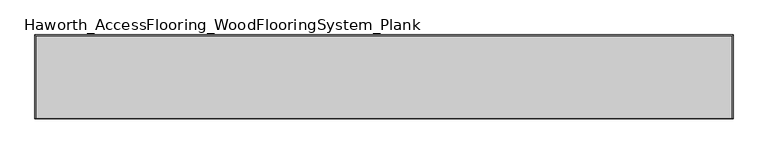
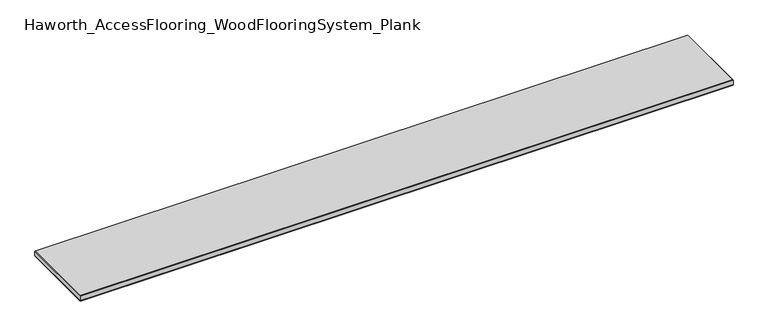
"""IFC4 building model written with IfcOpenShell, lengths in millimetres: proxy geometry, Haworth_AccessFlooring_WoodFlooringSystem_Plank."""

from ifc_helpers import new_model, si_unit, frame, origin, place, context, project, spatial, polyline, outline, extrude, faceted_brep, source, transform, mapped, element, save


def haworth_accessflooring_woodflooringsystem_plank_86a89d9a(model_context):
    return source(origin(), model_context, "Body", "SolidModel", [
        extrude(outline(polyline([(914.4, 109.9839844), (914.4, -109.9839844), (-914.4, -109.9839844), (-914.4, 109.9839844), (914.4, 109.9839844)])), frame((0.0, 0.0, -15.875), z_axis=(0.0, 0.0, 1.0), x_axis=(1.0, 0.0, 0.0)), (0.0, 0.0, 1.0), 0.9921875),
        faceted_brep([(914.4, 109.9839844, -14.8828125), (914.4, -109.9839844, -14.8828125), (-914.4, -109.9839844, -14.8828125), (-914.4, 109.9839844, -14.8828125), (-914.4, 109.9839844, -1.5875), (914.4, 109.9839844, -1.5875), (-914.4, -109.9839844, -1.5875), (914.4, -109.9839844, -1.5875), (912.8125, 108.3964844, 0.0), (-912.8125, 108.3964844, 0.0), (-912.8125, -108.3964844, 0.0), (912.8125, -108.3964844, 0.0)], [[[0, 1, 2, 3]], [[0, 3, 4, 5]], [[3, 2, 6, 4]], [[2, 1, 7, 6]], [[1, 0, 5, 7]], [[8, 9, 10, 11]], [[9, 8, 5, 4]], [[10, 9, 4, 6]], [[11, 10, 6, 7]], [[8, 11, 7, 5]]]),
    ])


if __name__ == "__main__":
    model = new_model("IFC4")
    model_context = context("Model", 3, world=origin())
    ifc_project = project(units=[si_unit("LENGTHUNIT", "METRE", prefix="MILLI")], contexts=[model_context])
    site = spatial("IfcSite", under=ifc_project)
    building = spatial("IfcBuilding", under=site)
    placement = place(None, origin())
    haworth_accessflooring_woodflooringsystem_plank_shape = haworth_accessflooring_woodflooringsystem_plank_86a89d9a(model_context)
    element("IfcBuildingElementProxy", 1, Name="Haworth_AccessFlooring_WoodFlooringSystem_Plank", ObjectType="Haworth_AccessFlooring_WoodFlooringSystem_Plank", at=placement, inside=building, context=model_context, shape_type="MappedRepresentation", body=[
        mapped(haworth_accessflooring_woodflooringsystem_plank_shape, transform((0.0, 0.0, 0.0), x_axis=(1.0, 0.0, 0.0), y_axis=(0.0, 1.0, 0.0), z_axis=(0.0, 0.0, 1.0))),
    ])
    save(model, "model.ifc")
